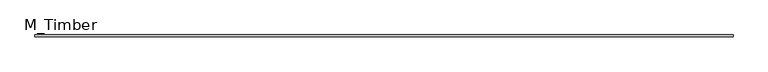
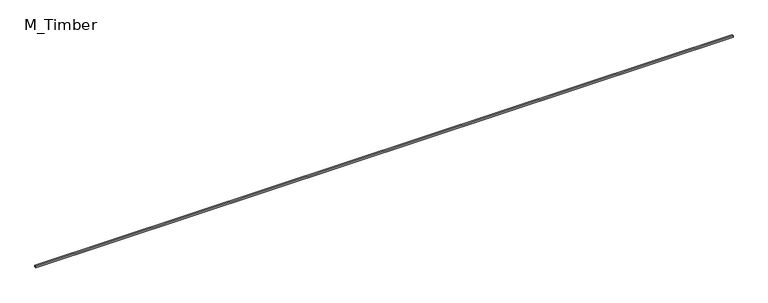
"""IFC4 building model written with IfcOpenShell, lengths in millimetres: beam geometry, M_Timber."""

from ifc_helpers import new_model, si_unit, frame, origin, place, context, project, spatial, polyline, outline, extrude, source, transform, mapped, element, save


def m_timber_0e68a1d6(model_context):
    return source(origin(), model_context, "Body", "SweptSolid", [
        extrude(outline(polyline([(8202.0785736, 20.0), (8202.0785736, -20.0), (-8202.0785736, -20.0), (-8202.0785736, 20.0), (8202.0785736, 20.0)])), frame((0.0, 0.0, -20.0), z_axis=(0.0, 0.0, 1.0), x_axis=(1.0, 0.0, 0.0)), (0.0, 0.0, 1.0), 40.0),
    ])


if __name__ == "__main__":
    model = new_model("IFC4")
    model_context = context("Model", 3, world=origin())
    ifc_project = project(units=[si_unit("LENGTHUNIT", "METRE", prefix="MILLI")], contexts=[model_context])
    site = spatial("IfcSite", under=ifc_project)
    building = spatial("IfcBuilding", under=site)
    placement = place(None, origin())
    m_timber_shape = m_timber_0e68a1d6(model_context)
    element("IfcBeam", 1, ObjectType="M_Timber", at=placement, inside=building, context=model_context, shape_type="MappedRepresentation", body=[
        mapped(m_timber_shape, transform((0.0, 0.0, 0.0), x_axis=(1.0, 0.0, 0.0), y_axis=(0.0, 1.0, 0.0), z_axis=(0.0, 0.0, 1.0))),
    ])
    save(model, "model.ifc")
